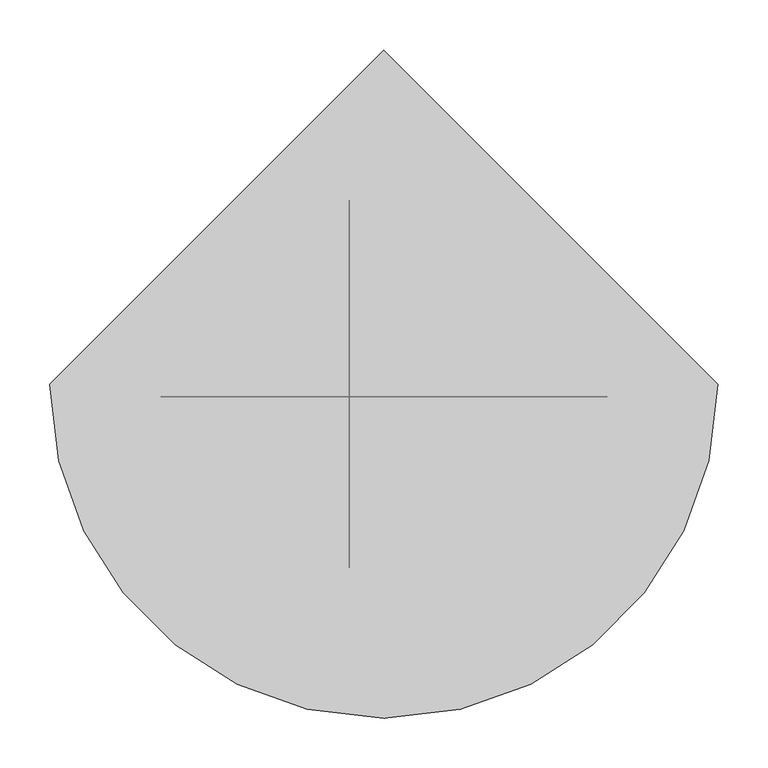
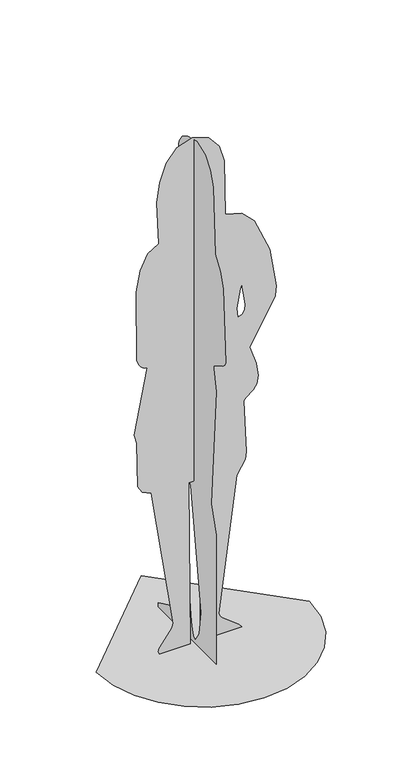
"""IFC4 building model written with IfcOpenShell, lengths in millimetres: proxy geometry."""

from ifc_helpers import new_model, si_unit, origin, place, context, project, spatial, triangles, source, transform, mapped, element, save


def entourage_811b314a(model_context):
    return source(origin(), model_context, "Body", "Tessellation", [
        triangles([(-334.1037346, 0.0, 4.67e-05), (-325.2710979, -76.5544842, 4.67e-05), (-300.1159472, -146.8575331, 4.67e-05), (-260.652404, -208.8948801, 4.67e-05), (-208.8949164, -260.6524404, 4.67e-05), (-146.8574967, -300.1158927, 4.67e-05), (-76.5544569, -325.2710979, 4.67e-05), (1.46e-05, -334.1037346, 4.67e-05), (76.5544933, -325.2710979, 4.67e-05), (146.8575512, -300.1159291, 4.67e-05), (208.8949164, -260.652404, 4.67e-05), (260.6524949, -208.8949164, 4.67e-05), (300.1158927, -146.8574877, 4.67e-05), (325.2710979, -76.5544388, 4.67e-05), (334.1037346, 2.92e-05, 4.67e-05), (-4.38e-05, 334.1037346, 4.67e-05), (-34.5734892, 6.9372071, 510.5862036), (-34.5734892, -50.0892028, 122.5869578), (-34.5734892, -40.8605964, 46.3929486), (-34.5734892, -17.156763, 11.3406073), (-34.5734892, -7.4075261, 20.0668393), (-34.5734892, -1.2814486, 37.4286861), (-34.5734892, 2.1839699, 60.406083), (-34.5734892, 46.4924156, 417.5145226), (-34.5734892, 63.110551, 464.5403223), (-34.5734892, 60.1163569, 490.2851171), (-34.5734892, 39.0456045, 536.4626401), (-34.5734892, 31.9761369, 546.3433597), (-34.5734892, -133.6633439, 4.67e-05), (-34.5734892, -131.2494832, 427.6552917), (-34.5734892, -105.4426373, 516.402818), (-34.5734892, -133.6328588, 904.8776161), (-34.5734892, -118.5361059, 971.9484495), (-34.5734892, -119.0608377, 980.9675211), (-34.5734892, -126.7251318, 988.4865389), (-34.5734892, -167.3249611, 1010.3459604), (-34.5734892, -178.3170045, 1020.1671633), (-34.5734892, -183.8333284, 1032.6394398), (-34.5734892, -170.1062048, 1269.4988194), (-34.5734892, -153.1873611, 1316.4971134), (-34.5734892, -126.3409983, 1357.63312), (-34.5734892, -116.7177394, 1573.3395756), (-34.5734892, -100.9946712, 1620.5182365), (-34.5734892, -71.8812047, 1654.7582977), (-34.5734892, -25.3455982, 1670.9407402), (-34.5734892, 21.8030932, 1659.2649994), (-34.5734892, 51.3717599, 1640.0022217), (-34.5734892, 67.2789739, 1615.437006), (-34.5734892, 73.4432687, 1587.8543873), (-34.5734892, 67.1167018, 1429.4550442), (-34.5734892, 62.6127343, 1414.6470818), (-34.5734892, 56.0061109, 1408.6359661), (-34.5734892, 33.6373977, 1398.6160835), (-34.5734892, 16.4514895, 1382.4130028), (-34.5734892, 16.57443, 1366.5170254), (-34.5734892, 23.8043859, 1350.9894848), (-34.5734892, 80.3273189, 1279.6723263), (-34.5734892, 93.6685013, 1248.0555061), (-34.5734892, 101.8995487, 1241.9481754), (-34.5734892, 113.2377919, 1237.3922035), (-34.5734892, 125.7357391, 1233.7834122), (-34.5734892, 137.446089, 1230.5184952), (-34.5734892, 146.4212861, 1226.9929836), (-34.5734892, 150.7139656, 1222.6031353), (-34.5734892, 148.5627251, 1190.0747429), (-34.5734892, 140.3133468, 1099.0845119), (-34.5734892, 138.7466183, 982.8324509), (-34.5734892, 146.619557, 972.1617359), (-34.5734892, 156.6984477, 965.1524254), (-34.5734892, 165.5362258, 953.6295095), (-34.5734892, 177.5235573, 924.4368147), (-34.5734892, 179.6906852, 910.463249), (-34.5734892, 178.6517588, 899.3693041), (-34.5734892, 173.9156017, 893.0032682), (-34.5734892, 141.1934257, 856.8173229), (-34.5734892, 128.9732504, 798.8474602), (-34.5734892, 142.8071262, 650.4621861), (-34.5734892, 172.1241776, 470.1701385), (-34.5734892, 80.165601, 167.8524907), (-34.5734892, 77.6115508, 131.7844796), (-34.5734892, 91.6650172, 75.8743931), (-34.5734892, 102.4533848, 58.8461219), (-34.5734892, 116.402061, 46.2735109), (-34.5734892, 182.1044005, 14.070202), (-34.5734892, 183.8334919, 4.67e-05), (-34.5734892, 53.8343775, 4.67e-05), (-34.5734892, 35.794949, 12.7326758), (-34.5734892, 29.2465433, 15.4350465), (-34.5734892, 27.5086316, 14.8404334), (-34.5734892, 26.3932972, 13.6010264), (-34.5734892, 23.0176312, 4.67e-05), (109.094422, -12.6250356, 1123.2807821), (99.0693254, -12.6250311, 1062.4456146), (101.4219162, -12.6250299, 1032.213085), (115.6876697, -12.6250299, 1036.9381599), (123.3611929, -12.6250311, 1049.3745375), (125.9346278, -12.6250311, 1066.9140919), (115.0699203, -12.6250356, 1135.9380037), (-142.5672426, -12.6249686, 0.0), (-147.4015315, -12.6249686, 9.7557227), (-144.3530348, -12.6249698, 20.3925416), (-104.8322458, -12.6249732, 72.3575519), (-100.9955795, -12.6249732, 87.8546938), (-169.3635721, -12.6250004, 543.0591125), (-197.666423, -12.6250015, 555.605367), (-211.7992995, -12.6250027, 579.9655443), (-214.3378618, -12.6250106, 724.0128565), (-223.4011713, -12.6250129, 753.7932335), (-181.7746968, -12.6250254, 962.6080313), (-189.3708538, -12.6250254, 963.9546787), (-195.9598957, -12.6250254, 967.6156471), (-201.5894939, -12.6250265, 973.0224392), (-206.3073564, -12.6250265, 979.6063396), (-210.1613907, -12.6250265, 986.7992872), (-213.1991414, -12.6250265, 994.0323486), (-215.4684069, -12.6250277, 1000.7370993), (-216.7846056, -12.6250413, 1226.3016014), (-203.5875006, -12.6250458, 1292.6408661), (-180.5929194, -12.6250481, 1341.5987789), (-145.6074186, -12.6250481, 1362.4953232), (-152.3855205, -12.6250572, 1500.6374725), (-142.6606145, -12.6250617, 1563.7968441), (-122.5369881, -12.6250651, 1620.2490669), (-89.3706259, -12.6250685, 1660.8358337), (-40.5175804, -12.6250685, 1676.4), (11.7229672, -12.6250663, 1659.2202347), (43.4644936, -12.6250651, 1619.483416), (59.5218847, -12.6250617, 1565.8930824), (63.2074382, -12.6250504, 1387.0617016), (114.1081058, -12.6250504, 1371.9761398), (153.4324588, -12.625047, 1333.9056438), (202.7227278, -12.6250413, 1222.3996593), (223.4011349, -12.6250333, 1092.6907888), (219.1644204, -12.6250311, 1062.1448336), (139.8069732, -12.625022, 917.9959288), (160.1375546, -12.6250197, 858.7674219), (166.230751, -12.6250163, 817.4798985), (162.0169457, -12.6250152, 790.3472523), (151.4264947, -12.6250129, 773.5839586), (126.837516, -12.6250129, 756.0219492), (120.6997365, -12.6250118, 747.6516026), (128.6617233, -12.6250015, 575.4503403), (125.4421796, -12.6250004, 551.8412436), (98.6847922, -12.6249981, 508.0167383), (41.8823772, -12.6249732, 71.4770234), (45.3586594, -12.6249709, 61.0228059), (53.9452719, -12.6249709, 51.2209333), (105.6092332, -12.6249686, 11.6815362), (114.4082056, -12.6249686, 0.0), (-16.5201387, -12.6249686, 0.0), (-7.7622953, -12.6250004, 535.4248037), (-51.4360047, -12.6250004, 536.7896187), (-47.7041785, -12.6249686, 0.0)], [[15, 16, 1], [14, 15, 1], [14, 1, 2], [13, 14, 2], [13, 2, 3], [13, 3, 4], [12, 13, 4], [11, 12, 4], [11, 4, 5], [11, 5, 6], [11, 6, 7], [11, 7, 8], [11, 8, 9], [11, 9, 10], [91, 29, 20], [91, 20, 21], [19, 20, 29], [84, 85, 86], [83, 84, 86], [82, 83, 86], [91, 21, 22], [90, 91, 22], [18, 19, 29], [18, 29, 30], [18, 30, 31], [17, 18, 31], [89, 90, 22], [28, 17, 31], [81, 82, 86], [81, 86, 87], [81, 87, 88], [89, 22, 23], [88, 89, 23], [81, 88, 23], [80, 81, 23], [79, 80, 23], [79, 23, 24], [79, 24, 25], [78, 79, 25], [78, 25, 26], [78, 26, 27], [77, 78, 27], [77, 27, 28], [77, 28, 31], [76, 77, 31], [76, 31, 32], [75, 76, 32], [75, 32, 33], [74, 75, 33], [74, 33, 34], [73, 74, 34], [72, 73, 34], [71, 72, 34], [70, 71, 34], [69, 70, 34], [68, 69, 34], [67, 68, 34], [66, 67, 34], [66, 34, 35], [65, 66, 35], [65, 35, 36], [65, 36, 37], [65, 37, 38], [65, 38, 39], [64, 65, 39], [63, 64, 39], [62, 63, 39], [61, 62, 39], [60, 61, 39], [59, 60, 39], [58, 59, 39], [57, 58, 39], [57, 39, 40], [57, 40, 41], [56, 57, 41], [55, 56, 41], [54, 55, 41], [53, 54, 41], [53, 41, 42], [52, 53, 42], [51, 52, 42], [50, 51, 42], [50, 42, 43], [50, 43, 44], [50, 44, 45], [50, 45, 46], [49, 50, 46], [49, 46, 47], [49, 47, 48], [148, 149, 150], [147, 148, 150], [146, 147, 150], [145, 146, 150], [145, 150, 151], [144, 145, 151], [94, 104, 105], [94, 105, 106], [94, 106, 107], [94, 107, 108], [94, 108, 109], [93, 94, 109], [153, 99, 100], [153, 100, 101], [153, 101, 102], [143, 144, 151], [142, 143, 151], [153, 102, 103], [152, 153, 103], [152, 103, 104], [152, 104, 94], [151, 152, 94], [151, 94, 95], [92, 93, 109], [92, 109, 110], [92, 110, 111], [92, 111, 112], [92, 112, 113], [92, 113, 114], [92, 114, 115], [92, 115, 116], [92, 116, 117], [92, 117, 118], [98, 92, 118], [98, 118, 119], [98, 119, 120], [98, 120, 121], [98, 121, 122], [98, 122, 123], [98, 123, 124], [98, 124, 125], [141, 142, 151], [141, 151, 95], [140, 141, 95], [139, 140, 95], [138, 139, 95], [125, 126, 127], [125, 127, 128], [129, 130, 131], [129, 131, 132], [129, 132, 133], [129, 133, 134], [136, 137, 138], [135, 136, 138], [135, 138, 95], [134, 135, 95], [134, 95, 96], [134, 96, 97], [125, 128, 129], [98, 125, 129], [98, 129, 134], [98, 134, 97]], closed=False),
    ])


if __name__ == "__main__":
    model = new_model("IFC4")
    model_context = context("Model", 3, world=origin())
    ifc_project = project(units=[si_unit("LENGTHUNIT", "METRE", prefix="MILLI")], contexts=[model_context])
    site = spatial("IfcSite", under=ifc_project)
    building = spatial("IfcBuilding", under=site)
    placement = place(None, origin())
    entourage_shape = entourage_811b314a(model_context)
    element("IfcBuildingElementProxy", 1, Name="Entourage", at=placement, inside=building, context=model_context, shape_type="MappedRepresentation", body=[
        mapped(entourage_shape, transform((0.0, 0.0, 0.0), x_axis=(1.0, 0.0, 0.0), y_axis=(0.0, 1.0, 0.0), z_axis=(0.0, 0.0, 1.0))),
    ])
    save(model, "model.ifc")
